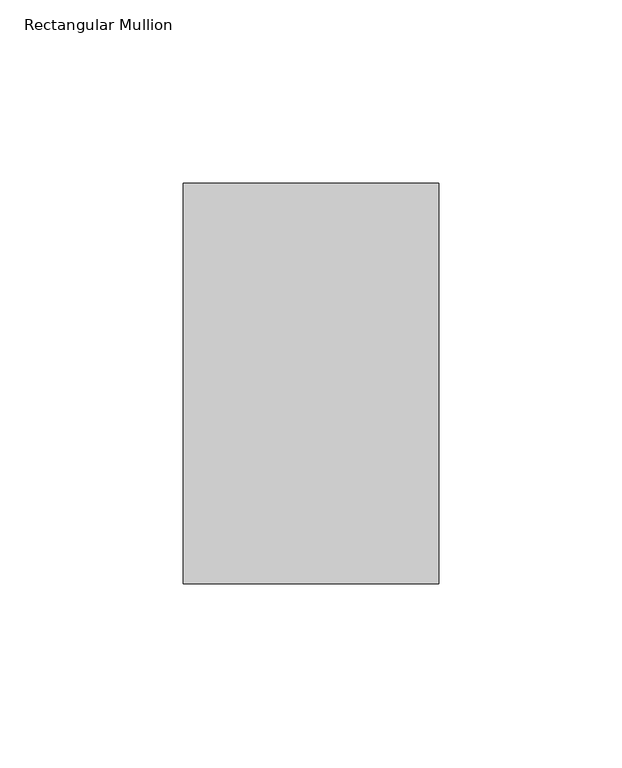
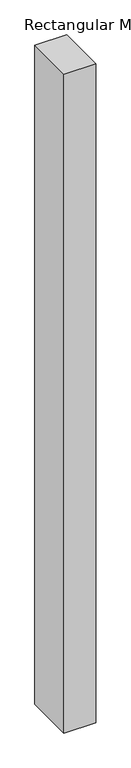
"""IFC4 building model written with IfcOpenShell, lengths in millimetres: member geometry, Rectangular Mullion."""

from ifc_helpers import new_model, si_unit, frame, origin, place, context, project, spatial, polyline, outline, extrude, source, transform, mapped, element, save


def rectangular_mullion_353abd13(model_context):
    return source(origin(), model_context, "Body", "SweptSolid", [
        extrude(outline(polyline([(-69.85, -83.34375), (-69.85, 26.19375), (0.0, 26.19375), (0.0, -83.34375), (-69.85, -83.34375)])), frame((0.0, 0.0, -1524.0), z_axis=(0.0, 0.0, 1.0), x_axis=(1.0, 0.0, 0.0)), (0.0, 0.0, 1.0), 1524.0),
    ])


if __name__ == "__main__":
    model = new_model("IFC4")
    model_context = context("Model", 3, world=origin())
    ifc_project = project(units=[si_unit("LENGTHUNIT", "METRE", prefix="MILLI")], contexts=[model_context])
    site = spatial("IfcSite", under=ifc_project)
    building = spatial("IfcBuilding", under=site)
    placement = place(None, origin())
    rectangular_mullion_shape = rectangular_mullion_353abd13(model_context)
    element("IfcMember", 1, ObjectType="Rectangular Mullion", at=placement, inside=building, context=model_context, shape_type="MappedRepresentation", body=[
        mapped(rectangular_mullion_shape, transform((0.0, 0.0, 0.0), x_axis=(1.0, 0.0, 0.0), y_axis=(0.0, 1.0, 0.0), z_axis=(0.0, 0.0, 1.0))),
    ])
    save(model, "model.ifc")
